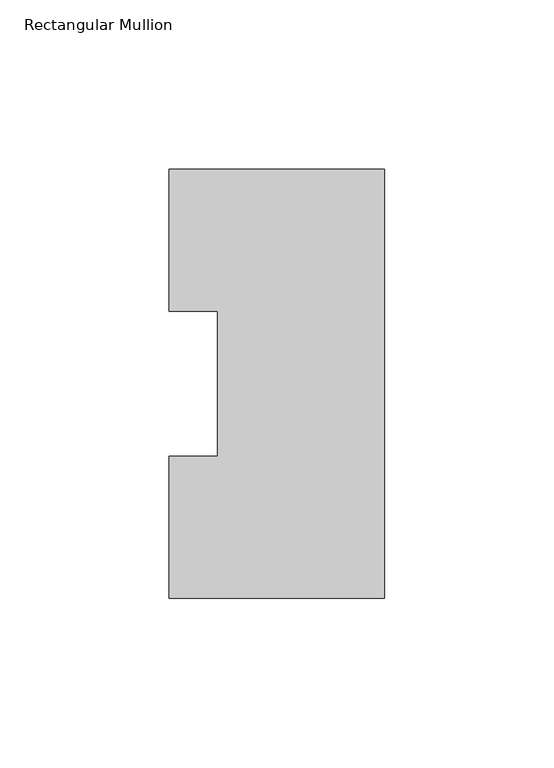
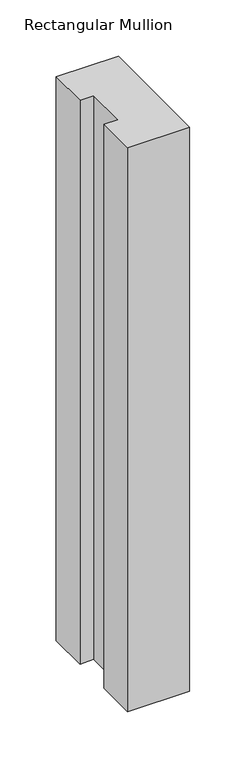
"""IFC4 building model written with IfcOpenShell, lengths in millimetres: member geometry, Rectangular Mullion."""

from ifc_helpers import new_model, si_unit, frame, origin, place, context, project, spatial, polyline, outline, extrude, source, transform, mapped, element, save


def rectangular_mullion_42a77fcf(model_context):
    return source(origin(), model_context, "Body", "SweptSolid", [
        extrude(outline(polyline([(0.0, 126.7523238), (0.0, 0.2603238), (-63.5, 0.2603238), (-63.5, 42.0814238), (-49.2252, 42.0814238), (-49.2252, 84.93125), (-63.5, 84.93125), (-63.5, 126.7523238), (0.0, 126.7523238)])), frame((0.0, 0.0, -609.6), z_axis=(0.0, 0.0, 1.0), x_axis=(1.0, 0.0, 0.0)), (0.0, 0.0, 1.0), 609.6),
    ])


if __name__ == "__main__":
    model = new_model("IFC4")
    model_context = context("Model", 3, world=origin())
    ifc_project = project(units=[si_unit("LENGTHUNIT", "METRE", prefix="MILLI")], contexts=[model_context])
    site = spatial("IfcSite", under=ifc_project)
    building = spatial("IfcBuilding", under=site)
    placement = place(None, origin())
    rectangular_mullion_shape = rectangular_mullion_42a77fcf(model_context)
    element("IfcMember", 1, ObjectType="Rectangular Mullion", at=placement, inside=building, context=model_context, shape_type="MappedRepresentation", body=[
        mapped(rectangular_mullion_shape, transform((0.0, 0.0, 0.0), x_axis=(1.0, 0.0, 0.0), y_axis=(0.0, 1.0, 0.0), z_axis=(0.0, 0.0, 1.0))),
    ])
    save(model, "model.ifc")
